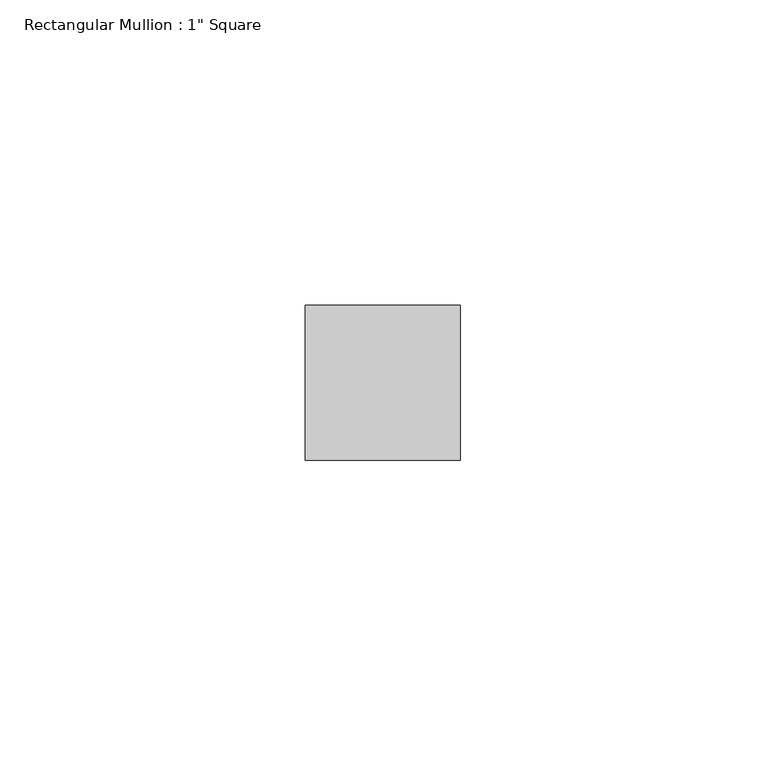
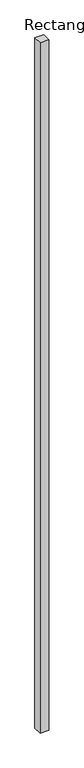
"""IFC4 building model written with IfcOpenShell, lengths in millimetres: member geometry."""

import ifcopenshell
import ifcopenshell.guid

model = None  # the IFC model being written
_history = None  # IfcOwnerHistory: only IFC2X3 demands one
_inside = {}  # id of a spatial element -> (the spatial element, [elements in it])
_under = {}  # id of a project, library or spatial element -> (it, [spatial elements below it])
_declared = {}  # id of a project -> (the project, [libraries it declares])
_typed = {}  # id of a type object -> (the type object, [elements of that type])
_made_of = {}  # id of a material, layer set ... -> (it, [elements and type objects made of it])


def new_model(schema):
    """Start an empty IFC model of exactly this schema.

    Asked for "IFC4X3", IfcOpenShell would pick the latest addendum, in which some entities
    have other attributes; the version numbers below select the first issue.
    IFC2X3 requires an IfcOwnerHistory on every rooted entity: one is made here for all.
    """
    global model, _history
    if schema == "IFC4X3":
        model = ifcopenshell.file(schema_version=(4, 3, 0, 0))
    else:
        model = ifcopenshell.file(schema=schema)
    _inside.clear()
    _under.clear()
    _declared.clear()
    _typed.clear()
    _made_of.clear()
    _history = None
    if model.schema == "IFC2X3":
        org = make("IfcOrganization", Name="unknown")
        user = make(
            "IfcPersonAndOrganization",
            ThePerson=make("IfcPerson", FamilyName="unknown"),
            TheOrganization=org,
        )
        app = make(
            "IfcApplication",
            ApplicationDeveloper=org,
            Version="unknown",
            ApplicationFullName="unknown",
            ApplicationIdentifier="unknown",
        )
        _history = make(
            "IfcOwnerHistory",
            OwningUser=user,
            OwningApplication=app,
            ChangeAction="ADDED",
            CreationDate=0,
        )
    return model


def make(cls, **values):
    """One entity of the class cls with the attributes given. An attribute that is None is left unset."""
    return model.create_entity(
        cls, **{name: value for name, value in values.items() if value is not None}
    )


def rooted(cls, **values):
    """An entity with a GlobalId (a new one), such as an element, a storey or a relation."""
    return make(cls, GlobalId=ifcopenshell.guid.new(), OwnerHistory=_history, **values)


def si_unit(unit_type, name, prefix=None):
    """IfcSIUnit, for example si_unit("LENGTHUNIT", "METRE", prefix="MILLI")."""
    return make("IfcSIUnit", UnitType=unit_type, Prefix=prefix, Name=name)


def assignment(units):
    """IfcUnitAssignment: the units of a project."""
    return None if units is None else make("IfcUnitAssignment", Units=units)


def point(xyz):
    """IfcCartesianPoint."""
    return None if xyz is None else make("IfcCartesianPoint", Coordinates=xyz)


def direction(xyz):
    """IfcDirection."""
    return None if xyz is None else make("IfcDirection", DirectionRatios=xyz)


def frame(location, z_axis=None, x_axis=None):
    """IfcAxis2Placement3D, a coordinate frame: its origin and axes. An axis left out is left unset."""
    return make(
        "IfcAxis2Placement3D",
        Location=point(location),
        Axis=direction(z_axis),
        RefDirection=direction(x_axis),
    )


def origin():
    """The frame at (0, 0, 0) with its axes left unset."""
    return frame((0.0, 0.0, 0.0))


def place(relative_to, where):
    """IfcLocalPlacement: puts the frame where relative to a parent placement (None: the world)."""
    return make(
        "IfcLocalPlacement", PlacementRelTo=relative_to, RelativePlacement=where
    )


def context(
    kind, dimensions, precision=None, world=None, true_north=None, identifier=None
):
    """IfcGeometricRepresentationContext, for example the 3D "Model" context."""
    return make(
        "IfcGeometricRepresentationContext",
        ContextIdentifier=identifier,
        ContextType=kind,
        CoordinateSpaceDimension=dimensions,
        Precision=precision,
        WorldCoordinateSystem=world,
        TrueNorth=true_north,
    )


def project(units=None, contexts=None):
    """IfcProject with its units and contexts."""
    return rooted(
        "IfcProject",
        Name="project",
        RepresentationContexts=contexts,
        UnitsInContext=assignment(units),
    )


def spatial(cls, under=None, at=None, **own):
    """A site, building, storey or space (cls), placed at a placement, below another one or the project."""
    s = rooted(cls, ObjectPlacement=at, **own)
    if under is not None:
        _under.setdefault(under.id(), (under, []))[1].append(s)
    return s


def polyline(points):
    """IfcPolyline through the points."""
    return make("IfcPolyline", Points=[point(p) for p in points])


def outline(outer, holes=None, kind="AREA"):
    """IfcArbitraryClosedProfileDef: a profile drawn as a closed curve; with holes, ...WithVoids."""
    if holes is None:
        return make("IfcArbitraryClosedProfileDef", ProfileType=kind, OuterCurve=outer)
    return make(
        "IfcArbitraryProfileDefWithVoids",
        ProfileType=kind,
        OuterCurve=outer,
        InnerCurves=holes,
    )


def extrude(swept, where, along, depth):
    """IfcExtrudedAreaSolid: the profile swept, set in the frame where, extruded along a direction by depth."""
    return make(
        "IfcExtrudedAreaSolid",
        SweptArea=swept,
        Position=where,
        ExtrudedDirection=direction(along),
        Depth=depth,
    )


def shape(context_of_items, identifier, shape_type, items):
    """IfcShapeRepresentation: the items that make up one representation, for example the "Body"."""
    return make(
        "IfcShapeRepresentation",
        ContextOfItems=context_of_items,
        RepresentationIdentifier=identifier,
        RepresentationType=shape_type,
        Items=items,
    )


def source(mapping_origin, context_of_items, identifier, shape_type, items):
    """IfcRepresentationMap: a shape defined once, which mapped items show again and again."""
    return make(
        "IfcRepresentationMap",
        MappingOrigin=mapping_origin,
        MappedRepresentation=shape(context_of_items, identifier, shape_type, items),
    )


def transform(
    local_origin,
    x_axis=None,
    y_axis=None,
    z_axis=None,
    scale=None,
    scale2=None,
    scale3=None,
    uniform=True,
):
    """IfcCartesianTransformationOperator3D, or its non-uniform kind. x_axis, y_axis, z_axis: its Axis1, 2, 3."""
    if uniform:
        return make(
            "IfcCartesianTransformationOperator3D",
            Axis1=direction(x_axis),
            Axis2=direction(y_axis),
            LocalOrigin=point(local_origin),
            Scale=scale,
            Axis3=direction(z_axis),
        )
    return make(
        "IfcCartesianTransformationOperator3DnonUniform",
        Axis1=direction(x_axis),
        Axis2=direction(y_axis),
        LocalOrigin=point(local_origin),
        Scale=scale,
        Axis3=direction(z_axis),
        Scale2=scale2,
        Scale3=scale3,
    )


def mapped(mapping_source, mapping_target):
    """IfcMappedItem: shows the shape of a source again, moved by a transform."""
    return make(
        "IfcMappedItem", MappingSource=mapping_source, MappingTarget=mapping_target
    )


def made_of(thing, what):
    """Note that an element or type object is made of a material, layer set ...; save() writes the relation."""
    if what is not None:
        _made_of.setdefault(what.id(), (what, []))[1].append(thing)
    return thing


def element(
    cls,
    number,
    at=None,
    inside=None,
    cuts=None,
    type_object=None,
    material=None,
    context=None,
    identifier="Body",
    shape_type=None,
    held_by="IfcProductDefinitionShape",
    body=None,
    shapes=None,
    **own,
):
    """One element of the class cls, such as IfcWall. Its Tag is "e" and its number.

    at: its placement. inside: the storey or other place that contains it. cuts: it is an
    opening in that element (IfcRelVoidsElement). A single representation is given by context,
    identifier, shape_type and body (its items); several are given by shapes. held_by: the class
    of the entity that holds the representations. save() writes the other relations.
    """
    e = rooted(cls, Tag="e%d" % number, ObjectPlacement=at, **own)
    if body is not None:
        shapes = [shape(context, identifier, shape_type, body)]
    if shapes is not None:
        e.Representation = make(held_by, Representations=shapes)
    if inside is not None:
        _inside.setdefault(inside.id(), (inside, []))[1].append(e)
    if cuts is not None:
        rooted(
            "IfcRelVoidsElement", RelatingBuildingElement=cuts, RelatedOpeningElement=e
        )
    if type_object is not None:
        _typed.setdefault(type_object.id(), (type_object, []))[1].append(e)
    return made_of(e, material)


def aggregate(whole, parts):
    """IfcRelAggregates: a whole, such as a stair, and the parts it consists of."""
    return rooted("IfcRelAggregates", RelatingObject=whole, RelatedObjects=parts)


def save(model, path):
    """Write the relations noted so far, then the file.

    IfcRelAggregates (storeys below a building ...), IfcRelContainedInSpatialStructure (elements
    in a storey), IfcRelDefinesByType, IfcRelAssociatesMaterial and IfcRelDeclares: one each for
    every whole, place, type object, material and project.
    """
    for whole, parts in _under.values():
        aggregate(whole, parts)
    for where, things in _inside.values():
        rooted(
            "IfcRelContainedInSpatialStructure",
            RelatedElements=things,
            RelatingStructure=where,
        )
    for kind, things in _typed.values():
        rooted("IfcRelDefinesByType", RelatedObjects=things, RelatingType=kind)
    for what, things in _made_of.values():
        rooted("IfcRelAssociatesMaterial", RelatedObjects=things, RelatingMaterial=what)
    for by, libraries in _declared.values():
        rooted("IfcRelDeclares", RelatingContext=by, RelatedDefinitions=libraries)
    model.write(path)


def member_da26c19c(model_context):
    return source(origin(), model_context, "Body", "SweptSolid", [
        extrude(outline(polyline([(0.0, 12.7), (0.0, -12.7), (-25.4, -12.7), (-25.4, 12.7), (0.0, 12.7)])), frame((0.0, 0.0, -2098.675), z_axis=(0.0, 0.0, 1.0), x_axis=(1.0, 0.0, 0.0)), (0.0, 0.0, 1.0), 2098.675),
    ])


if __name__ == "__main__":
    model = new_model("IFC4")
    model_context = context("Model", 3, world=origin())
    ifc_project = project(units=[si_unit("LENGTHUNIT", "METRE", prefix="MILLI")], contexts=[model_context])
    site = spatial("IfcSite", under=ifc_project)
    building = spatial("IfcBuilding", under=site)
    placement = place(None, origin())
    member_shape = member_da26c19c(model_context)
    element("IfcMember", 1, ObjectType="Rectangular Mullion : 1\" Square", at=placement, inside=building, context=model_context, shape_type="MappedRepresentation", body=[
        mapped(member_shape, transform((0.0, 0.0, 0.0), x_axis=(1.0, 0.0, 0.0), y_axis=(0.0, 1.0, 0.0), z_axis=(0.0, 0.0, 1.0))),
    ])
    save(model, "model.ifc")
